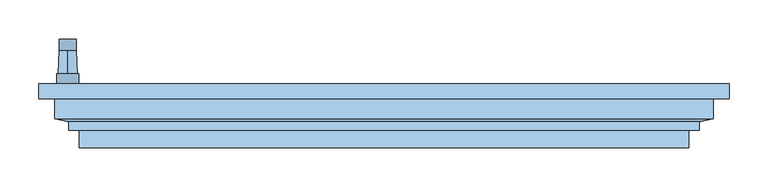
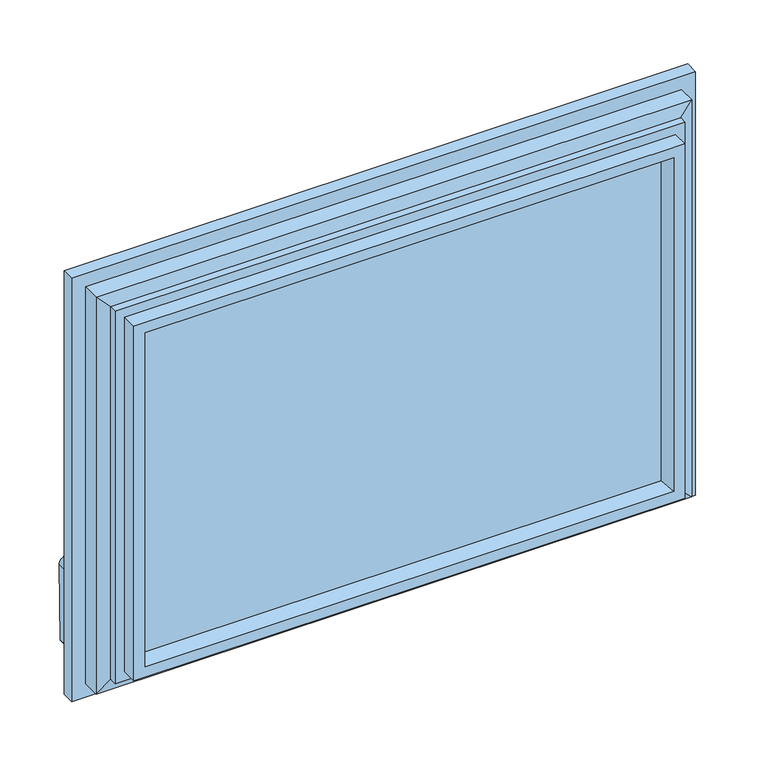
"""IFC4 building model written with IfcOpenShell, lengths in millimetres: window geometry."""

from ifc_helpers import new_model, si_unit, point, frame, frame_2d, origin, place, context, project, spatial, polyline, circle_curve, trimmed, segment, composite_curve, outline, extrude, faceted_brep, source, transform, mapped, element, save
from ifc_brep_helpers import plane_surface, cylinder_surface, revolved_surface, advanced_brep


def window_4b19a568(model_context):
    return source(origin(), model_context, "Body", "SolidModel", [
        advanced_brep(
        [(-391.2, -69.2, 220.2), (-391.2, -69.2, 184.8), (-419.8, -69.2, 184.8), (-419.8, -69.2, 220.2), (-405.5, -69.2, 190.5), (-405.5, -69.2, 214.5), (-391.2, -82.0, 220.2), (-419.8, -82.0, 220.2), (-419.8, -82.0, 184.8), (-391.2, -82.0, 184.8), (-405.5, -39.4162196, 213.45), (-405.5, -39.4162196, 191.55)],
        [
            (0, 1),
            (1, 2, circle_curve(frame((-405.5, -69.2, 184.8), z_axis=(0.0, 1.0, 0.0), x_axis=(-1.0, 0.0, 0.0)), 14.3)),
            (2, 3),
            (3, 0, circle_curve(frame((-405.5, -69.2, 220.2), z_axis=(0.0, 1.0, 0.0), x_axis=(-1.0, 0.0, 0.0)), 14.3)),
            (4, 5, circle_curve(frame((-405.5, -69.2, 202.5), z_axis=(0.0, -1.0, 0.0), x_axis=(0.0, 0.0, 1.0)), 12.0)),
            (5, 4, circle_curve(frame((-405.5, -69.2, 202.5), z_axis=(0.0, -1.0, 0.0), x_axis=(0.0, 0.0, -1.0)), 12.0)),
            (6, 7, circle_curve(frame((-405.5, -82.0, 220.2), z_axis=(0.0, -1.0, 0.0), x_axis=(-1.0, 0.0, 0.0)), 14.3)),
            (7, 8),
            (8, 9, circle_curve(frame((-405.5, -82.0, 184.8), z_axis=(0.0, -1.0, 0.0), x_axis=(-1.0, 0.0, 0.0)), 14.3)),
            (9, 6),
            (0, 6),
            (9, 1),
            (8, 2),
            (7, 3),
            (10, 11, circle_curve(frame((-405.5, -39.4162196, 202.5), z_axis=(0.0, 1.0, 0.0), x_axis=(0.0, 0.0, 1.0)), 10.95)),
            (11, 10, circle_curve(frame((-405.5, -39.4162196, 202.5), z_axis=(0.0, 1.0, 0.0), x_axis=(0.0, 0.0, -1.0)), 10.95)),
            (10, 5),
            (4, 11),
        ],
        [
            plane_surface(frame((-391.2, -69.2, 220.2), z_axis=(0.0, 1.0, 0.0), x_axis=(0.0, 0.0, -1.0))),
            plane_surface(frame((-391.2, -82.0, 220.2), z_axis=(0.0, -1.0, 0.0), x_axis=(0.0, 0.0, 1.0))),
            plane_surface(frame((-391.2, -69.2, 220.2), z_axis=(1.0, 0.0, 0.0), x_axis=(0.0, -1.0, 0.0))),
            cylinder_surface(frame((-405.5, -82.0, 184.8), z_axis=(0.0, 1.0, 0.0), x_axis=(-1.0, 0.0, 0.0)), 14.3),
            plane_surface(frame((-419.8, -69.2, 184.8), z_axis=(-1.0, 0.0, 0.0), x_axis=(0.0, -1.0, 0.0))),
            cylinder_surface(frame((-405.5, -82.0, 220.2), z_axis=(0.0, 1.0, 0.0), x_axis=(-1.0, 0.0, 0.0)), 14.3),
            plane_surface(frame((-405.5, -39.4162196, 202.5), z_axis=(0.0, 1.0, 0.0), x_axis=(1.0, 0.0, 0.0))),
            revolved_surface(polyline([(-405.5, -39.41621959999998, 213.4500000002644), (-405.5, -69.19999999999999, 214.5)]), (-405.5, 271.1860618, 202.5), (0.0, -1.0, 0.0)),
            revolved_surface(polyline([(-405.5, -39.41621959999998, 191.5499999997356), (-405.5, -69.19999999999999, 190.5)]), (-405.5, 271.1860618, 202.5), (0.0, -1.0, 0.0)),
        ],
        [
            (0, [[1, 2, 3, 4], [5, 6]]),
            (1, [[7, 8, 9, 10]]),
            (2, [[-1, 11, -10, 12]]),
            (3, [[-2, -12, -9, 13]]),
            (4, [[-3, -13, -8, 14]]),
            (5, [[-4, -14, -7, -11]]),
            (6, [[15, 16]]),
            (7, [[-15, 17, -5, 18]]),
            (8, [[-16, -18, -6, -17]]),
        ],
    ),
        extrude(outline(composite_curve([segment(trimmed(circle_curve(frame_2d((89.5593058, -409.4580365)), 5.1186159), [point((89.5592661, -414.5766524))], [point((84.4406899, -409.4580365))], False, "CARTESIAN"), True, "CONTINUOUS"), segment(polyline([(84.4406899, -409.4580365), (84.4406899, -401.5419635)]), True, "CONTINUOUS"), segment(trimmed(circle_curve(frame_2d((89.5593058, -401.5419635)), 5.1186159), [point((84.4406899, -401.5419635))], [point((89.3895475, -396.4261634))], False, "CARTESIAN"), True, "CONTINUOUS"), segment(polyline([(89.3895475, -396.4261634), (202.5, -394.55)]), True, "CONTINUOUS"), segment(trimmed(circle_curve(frame_2d((202.5, -405.5)), 10.95), [point((202.5, -394.55))], [point((202.5, -416.45))], False, "CARTESIAN"), True, "CONTINUOUS"), segment(polyline([(202.5, -416.45), (89.5592661, -414.5766524)]), True, "CONTINUOUS")], self_intersect=False)), frame((0.0, -39.4162196, 0.0), z_axis=(0.0, 1.0, 0.0), x_axis=(0.0, 0.0, 1.0)), (0.0, 0.0, 1.0), 15.0),
        extrude(outline(polyline([(386.5, -103.0), (386.5, -107.0), (-386.5, -107.0), (-386.5, -103.0), (386.5, -103.0)])), frame((0.0, 0.0, 108.5), z_axis=(0.0, 0.0, 1.0), x_axis=(1.0, 0.0, 0.0)), (0.0, 0.0, 1.0), 523.0),
        extrude(outline(polyline([(386.5, -139.0), (386.5, -143.0), (-386.5, -143.0), (-386.5, -139.0), (386.5, -139.0)])), frame((0.0, 0.0, 108.5), z_axis=(0.0, 0.0, 1.0), x_axis=(1.0, 0.0, 0.0)), (0.0, 0.0, 1.0), 523.0),
        extrude(outline(polyline([(386.5, -121.0), (386.5, -125.0), (-386.5, -125.0), (-386.5, -121.0), (386.5, -121.0)])), frame((0.0, 0.0, 108.5), z_axis=(0.0, 0.0, 1.0), x_axis=(1.0, 0.0, 0.0)), (0.0, 0.0, 1.0), 523.0),
        faceted_brep([(422.5, -101.0, 667.5), (422.5, -126.45, 667.5), (422.5, -126.45, 72.5), (422.5, -101.0, 72.5), (442.5, -82.0, 687.5), (442.5, -101.0, 687.5), (442.5, -101.0, 52.5), (442.5, -82.0, 52.5), (370.3364776, -103.0, 615.3364776), (359.6599742, -82.0, 604.6599742), (359.6599742, -82.0, 135.3400258), (370.3364776, -103.0, 124.6635224), (386.5, -143.0, 631.5), (386.5, -103.0, 631.5), (386.5, -103.0, 108.5), (386.5, -143.0, 108.5), (375.1595631, -164.0, 620.1595631), (369.53263, -143.0, 614.53263), (369.53263, -143.0, 125.46737), (375.1595631, -164.0, 119.8404369), (390.9018435, -164.0, 635.9018435), (390.9018435, -164.0, 104.0981565), (390.9018435, -141.5, 104.0981565), (390.9018435, -141.5, 635.9018435), (404.3518435, -130.6, 649.3518435), (404.3518435, -141.5, 649.3518435), (404.3518435, -141.5, 90.6481565), (404.3518435, -130.6, 90.6481565), (-422.5, -126.45, 72.5), (-422.5, -101.0, 72.5), (-442.5, -101.0, 52.5), (-442.5, -82.0, 52.5), (-359.6599742, -82.0, 135.3400258), (-370.3364776, -103.0, 124.6635224), (-386.5, -103.0, 108.5), (-386.5, -143.0, 108.5), (-369.53263, -143.0, 125.46737), (-375.1595631, -164.0, 119.8404369), (-390.9018435, -164.0, 104.0981565), (-390.9018435, -141.5, 104.0981565), (-404.3518435, -141.5, 90.6481565), (-404.3518435, -130.6, 90.6481565), (-422.5, -126.45, 667.5), (-422.5, -101.0, 667.5), (-442.5, -101.0, 687.5), (-442.5, -82.0, 687.5), (-359.6599742, -82.0, 604.6599742), (-370.3364776, -103.0, 615.3364776), (-386.5, -103.0, 631.5), (-386.5, -143.0, 631.5), (-369.53263, -143.0, 614.53263), (-375.1595631, -164.0, 620.1595631), (-390.9018435, -164.0, 635.9018435), (-390.9018435, -141.5, 635.9018435), (-404.3518435, -141.5, 649.3518435), (-404.3518435, -130.6, 649.3518435)], [[[0, 1, 2, 3]], [[4, 5, 6, 7]], [[8, 9, 10, 11]], [[12, 13, 14, 15]], [[16, 17, 18, 19]], [[20, 21, 22, 23]], [[24, 25, 26, 27]], [[1, 24, 27, 2]], [[3, 2, 28, 29]], [[7, 6, 30, 31]], [[11, 10, 32, 33]], [[15, 14, 34, 35]], [[19, 18, 36, 37]], [[22, 21, 38, 39]], [[27, 26, 40, 41]], [[2, 27, 41, 28]], [[29, 28, 42, 43]], [[31, 30, 44, 45]], [[33, 32, 46, 47]], [[35, 34, 48, 49]], [[37, 36, 50, 51]], [[39, 38, 52, 53]], [[41, 40, 54, 55]], [[28, 41, 55, 42]], [[43, 42, 1, 0]], [[5, 44, 30, 6], [3, 29, 43, 0]], [[45, 44, 5, 4]], [[7, 31, 45, 4], [9, 46, 32, 10]], [[47, 46, 9, 8]], [[13, 48, 34, 14], [11, 33, 47, 8]], [[49, 48, 13, 12]], [[15, 35, 49, 12], [17, 50, 36, 18]], [[51, 50, 17, 16]], [[20, 52, 38, 21], [19, 37, 51, 16]], [[53, 52, 20, 23]], [[25, 54, 40, 26], [22, 39, 53, 23]], [[55, 54, 25, 24]], [[42, 55, 24, 1]]]),
    ])


if __name__ == "__main__":
    model = new_model("IFC4")
    model_context = context("Model", 3, world=origin())
    ifc_project = project(units=[si_unit("LENGTHUNIT", "METRE", prefix="MILLI")], contexts=[model_context])
    site = spatial("IfcSite", under=ifc_project)
    building = spatial("IfcBuilding", under=site)
    placement = place(None, origin())
    window_shape = window_4b19a568(model_context)
    element("IfcWindow", 1, at=placement, inside=building, context=model_context, shape_type="MappedRepresentation", body=[
        mapped(window_shape, transform((0.0, 0.0, 0.0), x_axis=(1.0, 0.0, 0.0), y_axis=(0.0, 1.0, 0.0), z_axis=(0.0, 0.0, 1.0))),
    ])
    save(model, "model.ifc")
